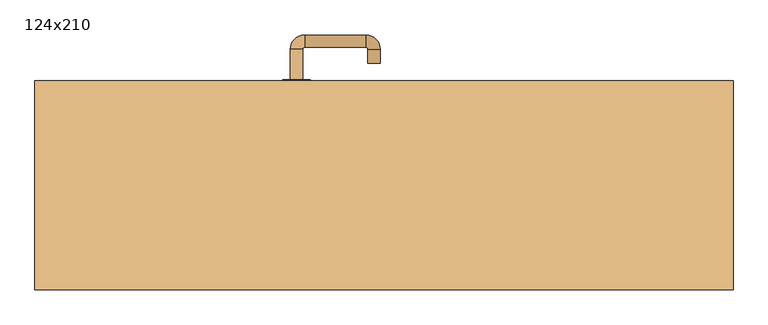
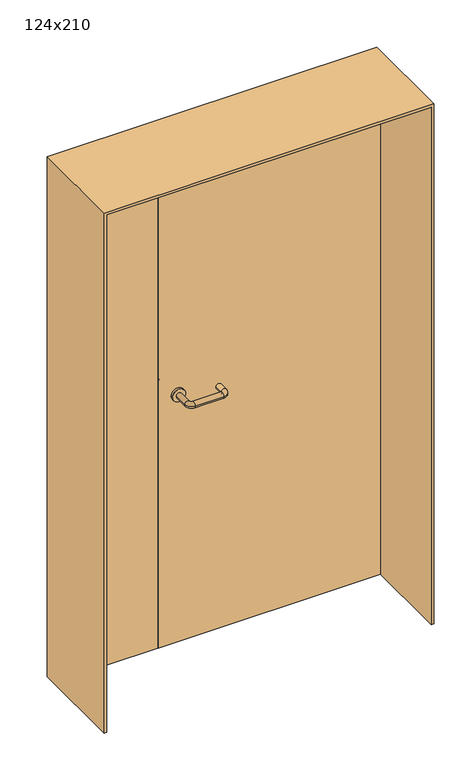
"""IFC4 building model written with IfcOpenShell, lengths in millimetres: door geometry, 124x210."""

from ifc_helpers import new_model, si_unit, point, frame, frame_2d, origin, place, context, project, spatial, polyline, circle_curve, ellipse_curve, trimmed, segment, composite_curve, outline, extrude, source, transform, mapped, element, save
from ifc_brep_helpers import plane_surface, cylinder_surface, revolved_surface, advanced_brep


def door_124x210_3a944fd6(model_context):
    return source(origin(), model_context, "Body", "SolidModel", [
        extrude(outline(polyline([(2100.0, -630.0), (0.0, -630.0), (0.0, -620.0), (2090.0, -620.0), (2090.0, 620.0), (0.0, 620.0), (0.0, 630.0), (2100.0, 630.0), (2100.0, -630.0)])), frame((0.0, -176.4654067, 0.0), z_axis=(0.0, 1.0, 0.0), x_axis=(0.0, 0.0, 1.0)), (0.0, 0.0, 1.0), 376.4654067),
        advanced_brep(
        [(-169.0, 145.8874183, 1003.0), (-147.0, 145.8874183, 1003.0), (-147.0, 91.0031939, 1003.0), (-169.0, 91.0031939, 1003.0), (-143.0, 65.0031939, 1003.0), (-143.0, 87.0031939, 1003.0), (-33.0, 87.0031939, 1003.0), (-33.0, 65.0031939, 1003.0), (-7.0, 91.0031939, 1003.0), (-29.0, 91.0031939, 1003.0), (-29.0, 125.0, 1003.0), (-7.0, 125.0, 1003.0)],
        [
            (0, 1, circle_curve(frame((-158.0, 145.8874183, 1003.0), z_axis=(0.0, 1.0, 0.0), x_axis=(1.0, 0.0, 0.0)), 11.0)),
            (1, 0, circle_curve(frame((-158.0, 145.8874183, 1003.0), z_axis=(0.0, 1.0, 0.0), x_axis=(1.0, 0.0, 0.0)), 11.0)),
            (1, 2),
            (2, 3, circle_curve(frame((-158.0, 91.0031939, 1003.0), z_axis=(0.0, 1.0, 0.0), x_axis=(1.0, 0.0, 0.0)), 11.0)),
            (3, 0),
            (4, 3, circle_curve(frame((-143.0, 91.0031939, 1003.0), z_axis=(0.0, 0.0, -1.0), x_axis=(-1.0, 0.0, 0.0)), 26.0)),
            (2, 5, circle_curve(frame((-143.0, 91.0031939, 1003.0), z_axis=(0.0, 0.0, 1.0), x_axis=(-1.0, 0.0, 0.0)), 4.0)),
            (5, 4, circle_curve(frame((-143.0, 76.0031939, 1003.0), z_axis=(-1.0, 0.0, 0.0), x_axis=(0.0, 1.0, 0.0)), 11.0)),
            (5, 6),
            (6, 7, circle_curve(frame((-33.0, 76.0031939, 1003.0), z_axis=(-1.0, 0.0, 0.0), x_axis=(0.0, 1.0, 0.0)), 11.0)),
            (7, 4),
            (8, 7, circle_curve(frame((-33.0, 91.0031939, 1003.0), z_axis=(0.0, 0.0, -1.0), x_axis=(0.0, -1.0, 0.0)), 26.0)),
            (6, 9, circle_curve(frame((-33.0, 91.0031939, 1003.0), z_axis=(0.0, 0.0, 1.0), x_axis=(0.0, -1.0, 0.0)), 4.0)),
            (9, 8, circle_curve(frame((-18.0, 91.0031939, 1003.0), z_axis=(0.0, -1.0, 0.0), x_axis=(-1.0, 0.0, 0.0)), 11.0)),
            (9, 10),
            (10, 11, circle_curve(frame((-18.0, 125.0, 1003.0), z_axis=(0.0, -1.0, 0.0), x_axis=(-1.0, 0.0, 0.0)), 11.0)),
            (11, 8),
            (10, 11, circle_curve(frame((-18.0, 125.0, 1003.0), z_axis=(0.0, 1.0, 0.0), x_axis=(-1.0, 0.0, 0.0)), 11.0)),
            (3, 2, circle_curve(frame((-158.0, 91.0031939, 1003.0), z_axis=(0.0, 1.0, 0.0), x_axis=(1.0, 0.0, 0.0)), 11.0)),
            (4, 5, circle_curve(frame((-143.0, 76.0031939, 1003.0), z_axis=(-1.0, 0.0, 0.0), x_axis=(0.0, 1.0, 0.0)), 11.0)),
            (7, 6, circle_curve(frame((-33.0, 76.0031939, 1003.0), z_axis=(-1.0, 0.0, 0.0), x_axis=(0.0, 1.0, 0.0)), 11.0)),
            (8, 9, circle_curve(frame((-18.0, 91.0031939, 1003.0), z_axis=(0.0, -1.0, 0.0), x_axis=(-1.0, 0.0, 0.0)), 11.0)),
        ],
        [
            plane_surface(frame((-169.0, 145.8874183, 1003.0), z_axis=(0.0, 1.0, 0.0), x_axis=(0.0, 0.0, -1.0))),
            cylinder_surface(frame((-158.0, 145.8874183, 1003.0), z_axis=(0.0, 1.0, 0.0), x_axis=(1.0, 0.0, 0.0)), 11.0),
            revolved_surface(trimmed(ellipse_curve(frame((-158.0, 91.0031939, 1003.0), z_axis=(0.0, 1.0, 0.0), x_axis=(1.0, 0.0, 0.0)), 11.0, 11.0), [point((-147.0, 91.0031939, 1003.0))], [point((-169.0, 91.0031939, 1003.0))], True, "CARTESIAN"), (-143.0, 91.0031939, 1003.0), (0.0, 0.0, 1.0)),
            cylinder_surface(frame((-143.0, 76.0031939, 1003.0), z_axis=(-1.0, 0.0, 0.0), x_axis=(0.0, 1.0, 0.0)), 11.0),
            revolved_surface(trimmed(ellipse_curve(frame((-33.0, 76.0031939, 1003.0), z_axis=(-1.0, 0.0, 0.0), x_axis=(0.0, 1.0, 0.0)), 11.0, 11.0), [point((-33.0, 87.0031939, 1003.0))], [point((-33.0, 65.0031939, 1003.0))], True, "CARTESIAN"), (-33.0, 91.0031939, 1003.0), (0.0, 0.0, 1.0)),
            cylinder_surface(frame((-18.0, 91.0031939, 1003.0), z_axis=(0.0, -1.0, 0.0), x_axis=(-1.0, 0.0, 0.0)), 11.0),
            plane_surface(frame((-29.0, 125.0, 1003.0), z_axis=(0.0, 1.0, 0.0), x_axis=(0.0, 0.0, 1.0))),
            revolved_surface(trimmed(ellipse_curve(frame((-158.0, 91.0031939, 1003.0), z_axis=(0.0, 1.0, 0.0), x_axis=(1.0, 0.0, 0.0)), 11.0, 11.0), [point((-169.0, 91.0031939, 1003.0))], [point((-147.0, 91.0031939, 1003.0))], True, "CARTESIAN"), (-143.0, 91.0031939, 1003.0), (0.0, 0.0, 1.0)),
            revolved_surface(trimmed(ellipse_curve(frame((-33.0, 76.0031939, 1003.0), z_axis=(-1.0, 0.0, 0.0), x_axis=(0.0, 1.0, 0.0)), 11.0, 11.0), [point((-33.0, 65.0031939, 1003.0))], [point((-33.0, 87.0031939, 1003.0))], True, "CARTESIAN"), (-33.0, 91.0031939, 1003.0), (0.0, 0.0, 1.0)),
        ],
        [
            (0, [[1, 2]]),
            (1, [[-2, 3, 4, 5]]),
            (2, [[6, -4, 7, 8]]),
            (3, [[-8, 9, 10, 11]]),
            (4, [[12, -10, 13, 14]]),
            (5, [[-14, 15, 16, 17]]),
            (6, [[-16, 18]]),
            (1, [[-1, -5, 19, -3]]),
            (7, [[-7, -19, -6, 20]]),
            (3, [[-20, -11, 21, -9]]),
            (8, [[-13, -21, -12, 22]]),
            (5, [[-22, -17, -18, -15]]),
        ],
    ),
        extrude(outline(polyline([(-234.99898, 156.0), (-617.0, 156.0), (-617.0, 200.0), (-234.99898, 200.0), (-234.99898, 156.0)])), frame((0.0, 0.0, 3.0), z_axis=(0.0, 0.0, 1.0), x_axis=(1.0, 0.0, 0.0)), (0.0, 0.0, 1.0), 2084.0),
        extrude(outline(polyline([(617.0, 156.0), (-233.0, 156.0), (-233.0, 200.0), (617.0, 200.0), (617.0, 156.0)])), frame((0.0, 0.0, 3.0), z_axis=(0.0, 0.0, 1.0), x_axis=(1.0, 0.0, 0.0)), (0.0, 0.0, 1.0), 2084.0),
        extrude(outline(composite_curve([segment(trimmed(circle_curve(frame_2d((1003.0, -158.0)), 25.0), [point((1003.0, -183.0))], [point((1003.0, -133.0))], False, "CARTESIAN"), True, "CONTINUOUS"), segment(trimmed(circle_curve(frame_2d((1003.0, -158.0)), 25.0), [point((1003.0, -133.0))], [point((1003.0, -183.0))], False, "CARTESIAN"), True, "CONTINUOUS")], self_intersect=False)), frame((0.0, 145.8874183, 0.0), z_axis=(0.0, 1.0, 0.0), x_axis=(0.0, 0.0, 1.0)), (0.0, 0.0, 1.0), 10.1125817),
        advanced_brep(
        [(-147.0, 202.0, 1003.0), (-169.0, 202.0, 1003.0), (-169.0, 257.0, 1003.0), (-147.0, 257.0, 1003.0), (-143.0, 261.0, 1003.0), (-143.0, 283.0, 1003.0), (-33.0, 283.0, 1003.0), (-33.0, 261.0, 1003.0), (-29.0, 257.0, 1003.0), (-7.0, 257.0, 1003.0), (-7.0, 232.0, 1003.0), (-29.0, 232.0, 1003.0)],
        [
            (0, 1, circle_curve(frame((-158.0, 202.0, 1003.0), z_axis=(0.0, -1.0, 0.0), x_axis=(-1.0, 0.0, 0.0)), 11.0)),
            (1, 0, circle_curve(frame((-158.0, 202.0, 1003.0), z_axis=(0.0, -1.0, 0.0), x_axis=(-1.0, 0.0, 0.0)), 11.0)),
            (1, 2),
            (2, 3, circle_curve(frame((-158.0, 257.0, 1003.0), z_axis=(0.0, -1.0, 0.0), x_axis=(-1.0, 0.0, 0.0)), 11.0)),
            (3, 0),
            (4, 3, circle_curve(frame((-143.0, 257.0, 1003.0), z_axis=(0.0, 0.0, 1.0), x_axis=(-1.0, 0.0, 0.0)), 4.0)),
            (2, 5, circle_curve(frame((-143.0, 257.0, 1003.0), z_axis=(0.0, 0.0, -1.0), x_axis=(-1.0, 0.0, 0.0)), 26.0)),
            (5, 4, circle_curve(frame((-143.0, 272.0, 1003.0), z_axis=(-1.0, 0.0, 0.0), x_axis=(0.0, 1.0, 0.0)), 11.0)),
            (5, 6),
            (6, 7, circle_curve(frame((-33.0, 272.0, 1003.0), z_axis=(-1.0, 0.0, 0.0), x_axis=(0.0, 1.0, 0.0)), 11.0)),
            (7, 4),
            (8, 7, circle_curve(frame((-33.0, 257.0, 1003.0), z_axis=(0.0, 0.0, 1.0), x_axis=(0.0, 1.0, 0.0)), 4.0)),
            (6, 9, circle_curve(frame((-33.0, 257.0, 1003.0), z_axis=(0.0, 0.0, -1.0), x_axis=(0.0, 1.0, 0.0)), 26.0)),
            (9, 8, circle_curve(frame((-18.0, 257.0, 1003.0), z_axis=(0.0, 1.0, 0.0), x_axis=(1.0, 0.0, 0.0)), 11.0)),
            (9, 10),
            (10, 11, circle_curve(frame((-18.0, 232.0, 1003.0), z_axis=(0.0, 1.0, 0.0), x_axis=(1.0, 0.0, 0.0)), 11.0)),
            (11, 8),
            (10, 11, circle_curve(frame((-18.0, 232.0, 1003.0), z_axis=(0.0, -1.0, 0.0), x_axis=(1.0, 0.0, 0.0)), 11.0)),
            (3, 2, circle_curve(frame((-158.0, 257.0, 1003.0), z_axis=(0.0, -1.0, 0.0), x_axis=(-1.0, 0.0, 0.0)), 11.0)),
            (4, 5, circle_curve(frame((-143.0, 272.0, 1003.0), z_axis=(-1.0, 0.0, 0.0), x_axis=(0.0, 1.0, 0.0)), 11.0)),
            (7, 6, circle_curve(frame((-33.0, 272.0, 1003.0), z_axis=(-1.0, 0.0, 0.0), x_axis=(0.0, 1.0, 0.0)), 11.0)),
            (8, 9, circle_curve(frame((-18.0, 257.0, 1003.0), z_axis=(0.0, 1.0, 0.0), x_axis=(1.0, 0.0, 0.0)), 11.0)),
        ],
        [
            plane_surface(frame((-169.0, 202.0, 1003.0), z_axis=(0.0, -1.0, 0.0), x_axis=(0.0, 0.0, 1.0))),
            cylinder_surface(frame((-158.0, 202.0, 1003.0), z_axis=(0.0, -1.0, 0.0), x_axis=(-1.0, 0.0, 0.0)), 11.0),
            revolved_surface(trimmed(ellipse_curve(frame((-158.0, 257.0, 1003.0), z_axis=(0.0, -1.0, 0.0), x_axis=(-1.0, 0.0, 0.0)), 11.0, 11.0), [point((-169.0, 257.0, 1003.0))], [point((-147.0, 257.0, 1003.0))], True, "CARTESIAN"), (-143.0, 257.0, 1003.0), (0.0, 0.0, -1.0)),
            cylinder_surface(frame((-143.0, 272.0, 1003.0), z_axis=(-1.0, 0.0, 0.0), x_axis=(0.0, 1.0, 0.0)), 11.0),
            revolved_surface(trimmed(ellipse_curve(frame((-33.0, 272.0, 1003.0), z_axis=(-1.0, 0.0, 0.0), x_axis=(0.0, 1.0, 0.0)), 11.0, 11.0), [point((-33.0, 283.0, 1003.0))], [point((-33.0, 261.0, 1003.0))], True, "CARTESIAN"), (-33.0, 257.0, 1003.0), (0.0, 0.0, -1.0)),
            cylinder_surface(frame((-18.0, 257.0, 1003.0), z_axis=(0.0, 1.0, 0.0), x_axis=(1.0, 0.0, 0.0)), 11.0),
            plane_surface(frame((-29.0, 232.0, 1003.0), z_axis=(0.0, -1.0, 0.0), x_axis=(0.0, 0.0, -1.0))),
            revolved_surface(trimmed(ellipse_curve(frame((-158.0, 257.0, 1003.0), z_axis=(0.0, -1.0, 0.0), x_axis=(-1.0, 0.0, 0.0)), 11.0, 11.0), [point((-147.0, 257.0, 1003.0))], [point((-169.0, 257.0, 1003.0))], True, "CARTESIAN"), (-143.0, 257.0, 1003.0), (0.0, 0.0, -1.0)),
            revolved_surface(trimmed(ellipse_curve(frame((-33.0, 272.0, 1003.0), z_axis=(-1.0, 0.0, 0.0), x_axis=(0.0, 1.0, 0.0)), 11.0, 11.0), [point((-33.0, 261.0, 1003.0))], [point((-33.0, 283.0, 1003.0))], True, "CARTESIAN"), (-33.0, 257.0, 1003.0), (0.0, 0.0, -1.0)),
        ],
        [
            (0, [[1, 2]]),
            (1, [[-2, 3, 4, 5]]),
            (2, [[6, -4, 7, 8]]),
            (3, [[-8, 9, 10, 11]]),
            (4, [[12, -10, 13, 14]]),
            (5, [[-14, 15, 16, 17]]),
            (6, [[-16, 18]]),
            (1, [[-1, -5, 19, -3]]),
            (7, [[-7, -19, -6, 20]]),
            (3, [[-20, -11, 21, -9]]),
            (8, [[-13, -21, -12, 22]]),
            (5, [[-22, -17, -18, -15]]),
        ],
    ),
        extrude(outline(composite_curve([segment(trimmed(circle_curve(frame_2d((1003.0, -158.0)), 25.0), [point((1003.0, -133.0))], [point((1003.0, -183.0))], False, "CARTESIAN"), True, "CONTINUOUS"), segment(trimmed(circle_curve(frame_2d((1003.0, -158.0)), 25.0), [point((1003.0, -183.0))], [point((1003.0, -133.0))], False, "CARTESIAN"), True, "CONTINUOUS")], self_intersect=False)), frame((0.0, 200.0, 0.0), z_axis=(0.0, 1.0, 0.0), x_axis=(0.0, 0.0, 1.0)), (0.0, 0.0, 1.0), 2.0),
    ])


if __name__ == "__main__":
    model = new_model("IFC4")
    model_context = context("Model", 3, world=origin())
    ifc_project = project(units=[si_unit("LENGTHUNIT", "METRE", prefix="MILLI")], contexts=[model_context])
    site = spatial("IfcSite", under=ifc_project)
    building = spatial("IfcBuilding", under=site)
    placement = place(None, origin())
    door_124x210_shape = door_124x210_3a944fd6(model_context)
    element("IfcDoor", 1, ObjectType="124x210", at=placement, inside=building, context=model_context, shape_type="MappedRepresentation", body=[
        mapped(door_124x210_shape, transform((0.0, 0.0, 0.0), x_axis=(1.0, 0.0, 0.0), y_axis=(0.0, 1.0, 0.0), z_axis=(0.0, 0.0, 1.0))),
    ])
    save(model, "model.ifc")
